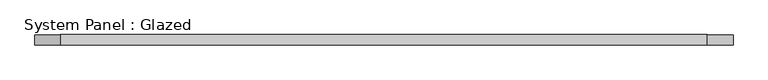
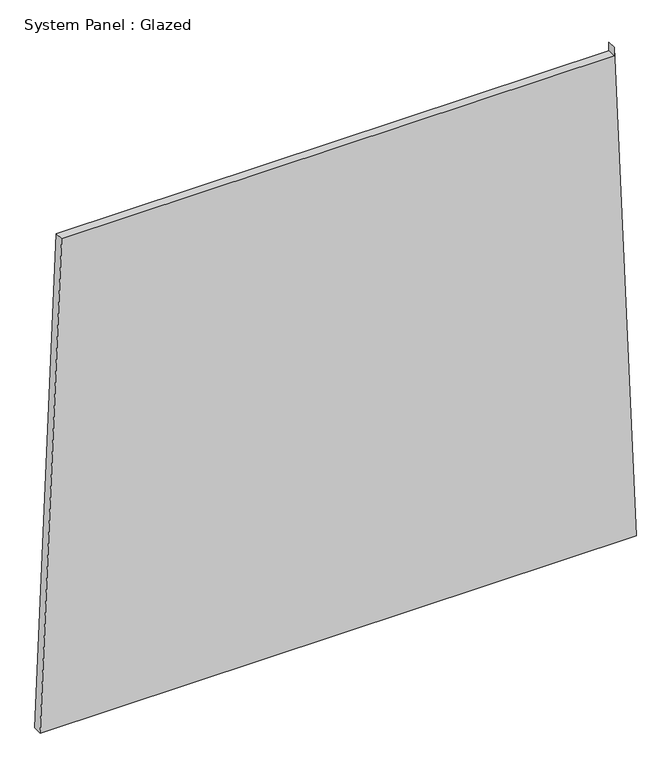
"""IFC4 building model written with IfcOpenShell, lengths in millimetres: plate geometry, System Panel : Glazed."""

from ifc_helpers import new_model, si_unit, frame, origin, place, context, project, spatial, polyline, outline, extrude, source, transform, mapped, element, save


def system_panel_glazed_1501f3e5(model_context):
    return source(origin(), model_context, "Body", "SweptSolid", [
        extrude(outline(polyline([(0.0, -838.8936302), (0.0, 838.8936302), (1473.6900845, 777.2619556), (1448.6900845, 777.2619555), (1448.690095, -778.3079675), (0.0, -838.8936302)])), frame((0.0, -49.5, 0.0), z_axis=(0.0, 1.0, 0.0), x_axis=(0.0, 0.0, 1.0)), (0.0, 0.0, 1.0), 25.0),
    ])


if __name__ == "__main__":
    model = new_model("IFC4")
    model_context = context("Model", 3, world=origin())
    ifc_project = project(units=[si_unit("LENGTHUNIT", "METRE", prefix="MILLI")], contexts=[model_context])
    site = spatial("IfcSite", under=ifc_project)
    building = spatial("IfcBuilding", under=site)
    placement = place(None, origin())
    system_panel_glazed_shape = system_panel_glazed_1501f3e5(model_context)
    element("IfcPlate", 1, ObjectType="System Panel : Glazed", at=placement, inside=building, context=model_context, shape_type="MappedRepresentation", body=[
        mapped(system_panel_glazed_shape, transform((0.0, 0.0, 0.0), x_axis=(1.0, 0.0, 0.0), y_axis=(0.0, 1.0, 0.0), z_axis=(0.0, 0.0, 1.0))),
    ])
    save(model, "model.ifc")
